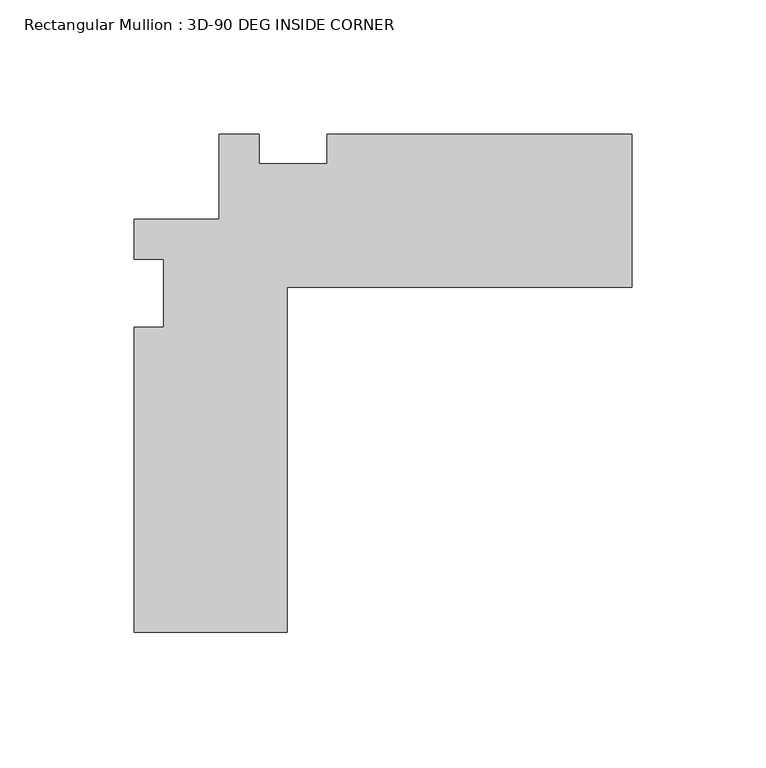
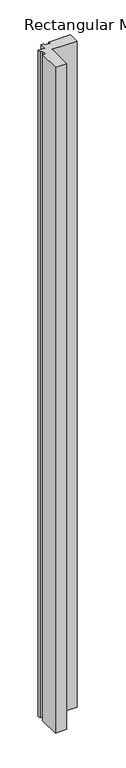
"""IFC4 building model written with IfcOpenShell, lengths in millimetres: member geometry, Rectangular Mullion : 3D-90 DEG INSIDE CORNER."""

from ifc_helpers import new_model, si_unit, frame, origin, place, context, project, spatial, polyline, outline, extrude, source, transform, mapped, element, save


def rectangular_mullion_3d_90_deg_inside_corner_17a68d1f(model_context):
    return source(origin(), model_context, "Body", "SweptSolid", [
        extrude(outline(polyline([(0.0, -25.4), (-128.5748, -25.4), (-128.5748, -153.9748), (-185.7248, -153.9748), (-185.7248, -40.3306883), (-174.6123, -40.3306883), (-174.6123, -14.9312632), (-185.7248, -14.9312632), (-185.7248, 0.0), (-153.9748, 0.0), (-153.9748, 31.75), (-138.9985826, 31.75), (-138.9985826, 20.6375), (-113.63452, 20.6375), (-113.63452, 31.75), (0.0, 31.75), (0.0, -25.4)])), frame((0.0, 0.0, -3657.6), z_axis=(0.0, 0.0, 1.0), x_axis=(1.0, 0.0, 0.0)), (0.0, 0.0, 1.0), 3657.6),
    ])


if __name__ == "__main__":
    model = new_model("IFC4")
    model_context = context("Model", 3, world=origin())
    ifc_project = project(units=[si_unit("LENGTHUNIT", "METRE", prefix="MILLI")], contexts=[model_context])
    site = spatial("IfcSite", under=ifc_project)
    building = spatial("IfcBuilding", under=site)
    placement = place(None, origin())
    rectangular_mullion_3d_90_deg_inside_corner_shape = rectangular_mullion_3d_90_deg_inside_corner_17a68d1f(model_context)
    element("IfcMember", 1, ObjectType="Rectangular Mullion : 3D-90 DEG INSIDE CORNER", at=placement, inside=building, context=model_context, shape_type="MappedRepresentation", body=[
        mapped(rectangular_mullion_3d_90_deg_inside_corner_shape, transform((0.0, 0.0, 0.0), x_axis=(1.0, 0.0, 0.0), y_axis=(0.0, 1.0, 0.0), z_axis=(0.0, 0.0, 1.0))),
    ])
    save(model, "model.ifc")
